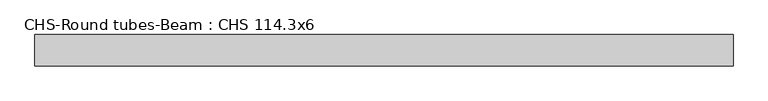
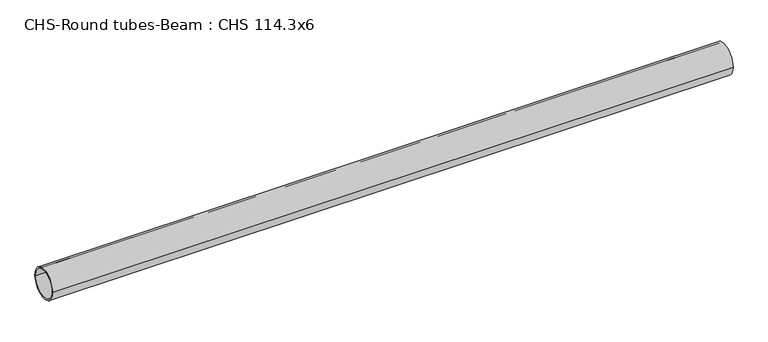
"""IFC4 building model written with IfcOpenShell, lengths in millimetres: beam geometry, CHS-Round tubes-Beam : CHS 114.3x6."""

import ifcopenshell
import ifcopenshell.guid

model = None  # the IFC model being written
_history = None  # IfcOwnerHistory: only IFC2X3 demands one
_inside = {}  # id of a spatial element -> (the spatial element, [elements in it])
_under = {}  # id of a project, library or spatial element -> (it, [spatial elements below it])
_declared = {}  # id of a project -> (the project, [libraries it declares])
_typed = {}  # id of a type object -> (the type object, [elements of that type])
_made_of = {}  # id of a material, layer set ... -> (it, [elements and type objects made of it])


def new_model(schema):
    """Start an empty IFC model of exactly this schema.

    Asked for "IFC4X3", IfcOpenShell would pick the latest addendum, in which some entities
    have other attributes; the version numbers below select the first issue.
    IFC2X3 requires an IfcOwnerHistory on every rooted entity: one is made here for all.
    """
    global model, _history
    if schema == "IFC4X3":
        model = ifcopenshell.file(schema_version=(4, 3, 0, 0))
    else:
        model = ifcopenshell.file(schema=schema)
    _inside.clear()
    _under.clear()
    _declared.clear()
    _typed.clear()
    _made_of.clear()
    _history = None
    if model.schema == "IFC2X3":
        org = make("IfcOrganization", Name="unknown")
        user = make(
            "IfcPersonAndOrganization",
            ThePerson=make("IfcPerson", FamilyName="unknown"),
            TheOrganization=org,
        )
        app = make(
            "IfcApplication",
            ApplicationDeveloper=org,
            Version="unknown",
            ApplicationFullName="unknown",
            ApplicationIdentifier="unknown",
        )
        _history = make(
            "IfcOwnerHistory",
            OwningUser=user,
            OwningApplication=app,
            ChangeAction="ADDED",
            CreationDate=0,
        )
    return model


def make(cls, **values):
    """One entity of the class cls with the attributes given. An attribute that is None is left unset."""
    return model.create_entity(
        cls, **{name: value for name, value in values.items() if value is not None}
    )


def rooted(cls, **values):
    """An entity with a GlobalId (a new one), such as an element, a storey or a relation."""
    return make(cls, GlobalId=ifcopenshell.guid.new(), OwnerHistory=_history, **values)


def si_unit(unit_type, name, prefix=None):
    """IfcSIUnit, for example si_unit("LENGTHUNIT", "METRE", prefix="MILLI")."""
    return make("IfcSIUnit", UnitType=unit_type, Prefix=prefix, Name=name)


def assignment(units):
    """IfcUnitAssignment: the units of a project."""
    return None if units is None else make("IfcUnitAssignment", Units=units)


def point(xyz):
    """IfcCartesianPoint."""
    return None if xyz is None else make("IfcCartesianPoint", Coordinates=xyz)


def direction(xyz):
    """IfcDirection."""
    return None if xyz is None else make("IfcDirection", DirectionRatios=xyz)


def frame(location, z_axis=None, x_axis=None):
    """IfcAxis2Placement3D, a coordinate frame: its origin and axes. An axis left out is left unset."""
    return make(
        "IfcAxis2Placement3D",
        Location=point(location),
        Axis=direction(z_axis),
        RefDirection=direction(x_axis),
    )


def frame_2d(location, x_axis=None):
    """IfcAxis2Placement2D, a coordinate frame in the plane: its origin and x axis."""
    return make(
        "IfcAxis2Placement2D", Location=point(location), RefDirection=direction(x_axis)
    )


def origin():
    """The frame at (0, 0, 0) with its axes left unset."""
    return frame((0.0, 0.0, 0.0))


def origin_2d():
    """The frame at (0, 0) in the plane with its x axis left unset."""
    return frame_2d((0.0, 0.0))


def place(relative_to, where):
    """IfcLocalPlacement: puts the frame where relative to a parent placement (None: the world)."""
    return make(
        "IfcLocalPlacement", PlacementRelTo=relative_to, RelativePlacement=where
    )


def context(
    kind, dimensions, precision=None, world=None, true_north=None, identifier=None
):
    """IfcGeometricRepresentationContext, for example the 3D "Model" context."""
    return make(
        "IfcGeometricRepresentationContext",
        ContextIdentifier=identifier,
        ContextType=kind,
        CoordinateSpaceDimension=dimensions,
        Precision=precision,
        WorldCoordinateSystem=world,
        TrueNorth=true_north,
    )


def project(units=None, contexts=None):
    """IfcProject with its units and contexts."""
    return rooted(
        "IfcProject",
        Name="project",
        RepresentationContexts=contexts,
        UnitsInContext=assignment(units),
    )


def spatial(cls, under=None, at=None, **own):
    """A site, building, storey or space (cls), placed at a placement, below another one or the project."""
    s = rooted(cls, ObjectPlacement=at, **own)
    if under is not None:
        _under.setdefault(under.id(), (under, []))[1].append(s)
    return s


def circle_curve(where, radius):
    """IfcCircle in the frame where."""
    return make("IfcCircle", Position=where, Radius=radius)


def trimmed(basis, trim1, trim2, sense, master):
    """IfcTrimmedCurve: the piece of a basis curve between two trims."""
    return make(
        "IfcTrimmedCurve",
        BasisCurve=basis,
        Trim1=trim1,
        Trim2=trim2,
        SenseAgreement=sense,
        MasterRepresentation=master,
    )


def segment(curve, same_sense, transition):
    """IfcCompositeCurveSegment."""
    return make(
        "IfcCompositeCurveSegment",
        Transition=transition,
        SameSense=same_sense,
        ParentCurve=curve,
    )


def composite_curve(segments, self_intersect=None):
    """IfcCompositeCurve: segments joined end to end."""
    return make("IfcCompositeCurve", Segments=segments, SelfIntersect=self_intersect)


def outline(outer, holes=None, kind="AREA"):
    """IfcArbitraryClosedProfileDef: a profile drawn as a closed curve; with holes, ...WithVoids."""
    if holes is None:
        return make("IfcArbitraryClosedProfileDef", ProfileType=kind, OuterCurve=outer)
    return make(
        "IfcArbitraryProfileDefWithVoids",
        ProfileType=kind,
        OuterCurve=outer,
        InnerCurves=holes,
    )


def extrude(swept, where, along, depth):
    """IfcExtrudedAreaSolid: the profile swept, set in the frame where, extruded along a direction by depth."""
    return make(
        "IfcExtrudedAreaSolid",
        SweptArea=swept,
        Position=where,
        ExtrudedDirection=direction(along),
        Depth=depth,
    )


def shape(context_of_items, identifier, shape_type, items):
    """IfcShapeRepresentation: the items that make up one representation, for example the "Body"."""
    return make(
        "IfcShapeRepresentation",
        ContextOfItems=context_of_items,
        RepresentationIdentifier=identifier,
        RepresentationType=shape_type,
        Items=items,
    )


def source(mapping_origin, context_of_items, identifier, shape_type, items):
    """IfcRepresentationMap: a shape defined once, which mapped items show again and again."""
    return make(
        "IfcRepresentationMap",
        MappingOrigin=mapping_origin,
        MappedRepresentation=shape(context_of_items, identifier, shape_type, items),
    )


def transform(
    local_origin,
    x_axis=None,
    y_axis=None,
    z_axis=None,
    scale=None,
    scale2=None,
    scale3=None,
    uniform=True,
):
    """IfcCartesianTransformationOperator3D, or its non-uniform kind. x_axis, y_axis, z_axis: its Axis1, 2, 3."""
    if uniform:
        return make(
            "IfcCartesianTransformationOperator3D",
            Axis1=direction(x_axis),
            Axis2=direction(y_axis),
            LocalOrigin=point(local_origin),
            Scale=scale,
            Axis3=direction(z_axis),
        )
    return make(
        "IfcCartesianTransformationOperator3DnonUniform",
        Axis1=direction(x_axis),
        Axis2=direction(y_axis),
        LocalOrigin=point(local_origin),
        Scale=scale,
        Axis3=direction(z_axis),
        Scale2=scale2,
        Scale3=scale3,
    )


def mapped(mapping_source, mapping_target):
    """IfcMappedItem: shows the shape of a source again, moved by a transform."""
    return make(
        "IfcMappedItem", MappingSource=mapping_source, MappingTarget=mapping_target
    )


def made_of(thing, what):
    """Note that an element or type object is made of a material, layer set ...; save() writes the relation."""
    if what is not None:
        _made_of.setdefault(what.id(), (what, []))[1].append(thing)
    return thing


def element(
    cls,
    number,
    at=None,
    inside=None,
    cuts=None,
    type_object=None,
    material=None,
    context=None,
    identifier="Body",
    shape_type=None,
    held_by="IfcProductDefinitionShape",
    body=None,
    shapes=None,
    **own,
):
    """One element of the class cls, such as IfcWall. Its Tag is "e" and its number.

    at: its placement. inside: the storey or other place that contains it. cuts: it is an
    opening in that element (IfcRelVoidsElement). A single representation is given by context,
    identifier, shape_type and body (its items); several are given by shapes. held_by: the class
    of the entity that holds the representations. save() writes the other relations.
    """
    e = rooted(cls, Tag="e%d" % number, ObjectPlacement=at, **own)
    if body is not None:
        shapes = [shape(context, identifier, shape_type, body)]
    if shapes is not None:
        e.Representation = make(held_by, Representations=shapes)
    if inside is not None:
        _inside.setdefault(inside.id(), (inside, []))[1].append(e)
    if cuts is not None:
        rooted(
            "IfcRelVoidsElement", RelatingBuildingElement=cuts, RelatedOpeningElement=e
        )
    if type_object is not None:
        _typed.setdefault(type_object.id(), (type_object, []))[1].append(e)
    return made_of(e, material)


def aggregate(whole, parts):
    """IfcRelAggregates: a whole, such as a stair, and the parts it consists of."""
    return rooted("IfcRelAggregates", RelatingObject=whole, RelatedObjects=parts)


def save(model, path):
    """Write the relations noted so far, then the file.

    IfcRelAggregates (storeys below a building ...), IfcRelContainedInSpatialStructure (elements
    in a storey), IfcRelDefinesByType, IfcRelAssociatesMaterial and IfcRelDeclares: one each for
    every whole, place, type object, material and project.
    """
    for whole, parts in _under.values():
        aggregate(whole, parts)
    for where, things in _inside.values():
        rooted(
            "IfcRelContainedInSpatialStructure",
            RelatedElements=things,
            RelatingStructure=where,
        )
    for kind, things in _typed.values():
        rooted("IfcRelDefinesByType", RelatedObjects=things, RelatingType=kind)
    for what, things in _made_of.values():
        rooted("IfcRelAssociatesMaterial", RelatedObjects=things, RelatingMaterial=what)
    for by, libraries in _declared.values():
        rooted("IfcRelDeclares", RelatingContext=by, RelatedDefinitions=libraries)
    model.write(path)


def chs_round_tubes_beam_chs_114_3x6_e6834125(model_context):
    return source(origin(), model_context, "Body", "SweptSolid", [
        extrude(outline(composite_curve([segment(trimmed(circle_curve(origin_2d(), 57.15), [point((57.15, 0.0))], [point((-57.15, 0.0))], False, "CARTESIAN"), True, "CONTINUOUS"), segment(trimmed(circle_curve(origin_2d(), 57.15), [point((-57.15, 0.0))], [point((57.15, 0.0))], False, "CARTESIAN"), True, "CONTINUOUS")], self_intersect=False), holes=[composite_curve([segment(trimmed(circle_curve(origin_2d(), 51.15), [point((51.15, 0.0))], [point((-51.15, 0.0))], True, "CARTESIAN"), True, "CONTINUOUS"), segment(trimmed(circle_curve(origin_2d(), 51.15), [point((-51.15, 0.0))], [point((51.15, 0.0))], True, "CARTESIAN"), True, "CONTINUOUS")], self_intersect=False)]), frame((-1107.5989582, 0.0, 0.0), z_axis=(1.0, 0.0, 0.0), x_axis=(0.0, 1.0, 0.0)), (0.0, 0.0, 1.0), 2527.4495761),
    ])


if __name__ == "__main__":
    model = new_model("IFC4")
    model_context = context("Model", 3, world=origin())
    ifc_project = project(units=[si_unit("LENGTHUNIT", "METRE", prefix="MILLI")], contexts=[model_context])
    site = spatial("IfcSite", under=ifc_project)
    building = spatial("IfcBuilding", under=site)
    placement = place(None, origin())
    chs_round_tubes_beam_chs_114_3x6_shape = chs_round_tubes_beam_chs_114_3x6_e6834125(model_context)
    element("IfcBeam", 1, ObjectType="CHS-Round tubes-Beam : CHS 114.3x6", at=placement, inside=building, context=model_context, shape_type="MappedRepresentation", body=[
        mapped(chs_round_tubes_beam_chs_114_3x6_shape, transform((0.0, 0.0, 0.0), x_axis=(1.0, 0.0, 0.0), y_axis=(0.0, 1.0, 0.0), z_axis=(0.0, 0.0, 1.0))),
    ])
    save(model, "model.ifc")
